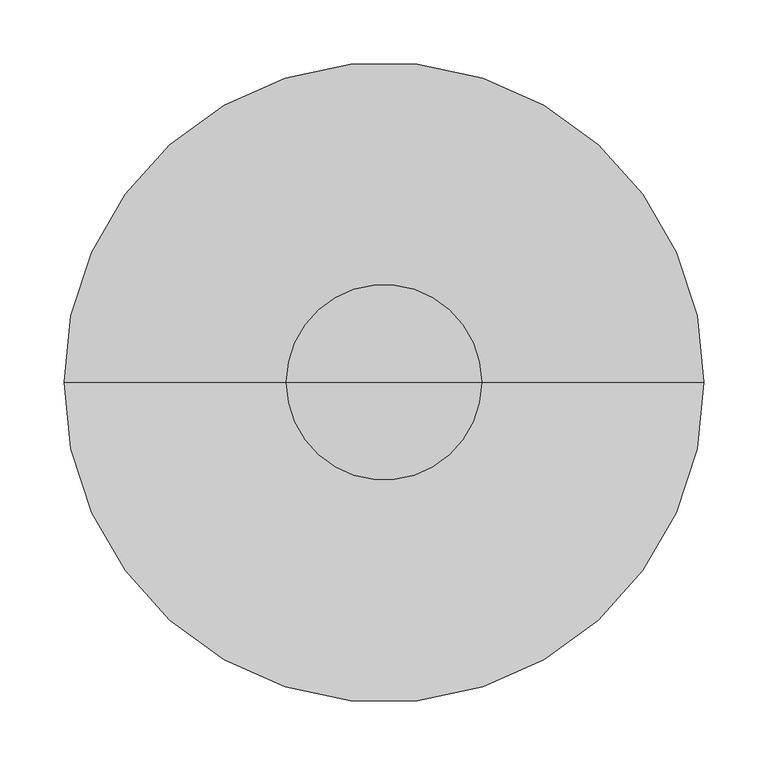
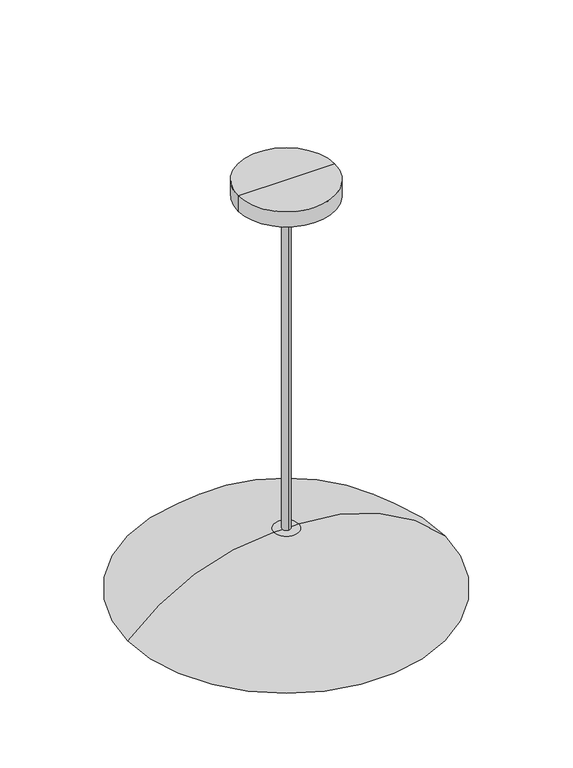
"""IFC4 building model written with IfcOpenShell, lengths in millimetres: light fixture geometry."""

from ifc_helpers import new_model, si_unit, point, frame, origin, origin_2d, place, context, project, spatial, polyline, circle_curve, ellipse_curve, trimmed, segment, composite_curve, outline, extrude, source, transform, mapped, element, save
from ifc_brep_helpers import plane_surface, cylinder_surface, revolved_surface, advanced_brep


def light_fixture_7a8487df(model_context):
    return source(origin(), model_context, "Body", "SolidModel", [
        advanced_brep(
        [(250.0, 0.0, -675.0), (-250.0, 0.0, -675.0), (-20.0, 0.0, -575.0), (20.0, 0.0, -575.0), (243.1143205, 0.0, -675.0), (-243.1143205, 0.0, -675.0), (20.0, 0.0, -580.0), (-20.0, 0.0, -580.0), (0.0, 0.0, -580.0), (0.0, 0.0, -575.0)],
        [
            (0, 1, circle_curve(frame((0.0, 0.0, -675.0), z_axis=(0.0, 0.0, 1.0), x_axis=(-1.0, 0.0, 0.0)), 250.0)),
            (1, 2, circle_curve(frame((-20.0, 0.0, -889.5), z_axis=(0.0, 1.0, 0.0), x_axis=(0.0, 0.0, 1.0)), 314.5)),
            (2, 3, circle_curve(frame((0.0, 0.0, -575.0), z_axis=(0.0, 0.0, -1.0), x_axis=(-1.0, 0.0, 0.0)), 20.0)),
            (3, 0, circle_curve(frame((20.0, 0.0, -889.5), z_axis=(0.0, 1.0, 0.0), x_axis=(0.0, 0.0, 1.0)), 314.5)),
            (1, 0, circle_curve(frame((0.0, 0.0, -675.0), z_axis=(0.0, 0.0, 1.0), x_axis=(-1.0, 0.0, 0.0)), 250.0)),
            (3, 2, circle_curve(frame((0.0, 0.0, -575.0), z_axis=(0.0, 0.0, -1.0), x_axis=(-1.0, 0.0, 0.0)), 20.0)),
            (4, 5, circle_curve(frame((0.0, 0.0, -675.0), z_axis=(0.0, 0.0, 1.0), x_axis=(-1.0, 0.0, 0.0)), 243.1143205)),
            (5, 1),
            (0, 4),
            (5, 4, circle_curve(frame((0.0, 0.0, -675.0), z_axis=(0.0, 0.0, 1.0), x_axis=(-1.0, 0.0, 0.0)), 243.1143205)),
            (6, 7, circle_curve(frame((0.0, 0.0, -580.0), z_axis=(0.0, 0.0, 1.0), x_axis=(-1.0, 0.0, 0.0)), 20.0)),
            (7, 5, circle_curve(frame((-20.0, 0.0, -889.5), z_axis=(0.0, -1.0, 0.0), x_axis=(0.0, 0.0, 1.0)), 309.5)),
            (4, 6, circle_curve(frame((20.0, 0.0, -889.5), z_axis=(0.0, -1.0, 0.0), x_axis=(0.0, 0.0, 1.0)), 309.5)),
            (7, 6, circle_curve(frame((0.0, 0.0, -580.0), z_axis=(0.0, 0.0, 1.0), x_axis=(-1.0, 0.0, 0.0)), 20.0)),
            (8, 7),
            (6, 8),
            (2, 9),
            (9, 3),
        ],
        [
            revolved_surface(trimmed(ellipse_curve(frame((-20.0, 0.0, -889.5), z_axis=(0.0, -1.0, 0.0), x_axis=(0.0, 0.0, 1.0)), 314.5, 314.5), [point((-20.0, 0.0, -575.0))], [point((-250.0, 0.0, -675.0))], True, "CARTESIAN"), (0.0, 0.0, 1702.6263109), (0.0, 0.0, -1.0)),
            plane_surface(frame((0.0, 0.0, -675.0), z_axis=(0.0, 0.0, -1.0), x_axis=(-1.0, 0.0, 0.0))),
            revolved_surface(trimmed(ellipse_curve(frame((-20.0, 0.0, -889.5), z_axis=(0.0, 1.0, 0.0), x_axis=(0.0, 0.0, 1.0)), 309.5, 309.5), [point((-243.1143205, 0.0, -675.0))], [point((-20.0, 0.0, -580.0))], True, "CARTESIAN"), (0.0, 0.0, 1702.6263109), (0.0, 0.0, -1.0)),
            plane_surface(frame((0.0, 0.0, -580.0), z_axis=(0.0, 0.0, -1.0), x_axis=(-1.0, 0.0, 0.0))),
            plane_surface(frame((0.0, 0.0, -575.0), z_axis=(0.0, 0.0, 1.0), x_axis=(-1.0, 0.0, 0.0))),
        ],
        [
            (0, [[1, 2, 3, 4]]),
            (0, [[5, -4, 6, -2]]),
            (1, [[7, 8, -1, 9]]),
            (1, [[10, -9, -5, -8]]),
            (2, [[11, 12, -7, 13]]),
            (2, [[14, -13, -10, -12]]),
            (3, [[15, -11, 16]]),
            (3, [[-16, -14, -15]]),
            (4, [[-3, 17, 18]]),
            (4, [[-6, -18, -17]]),
        ],
    ),
        extrude(outline(composite_curve([segment(trimmed(circle_curve(origin_2d(), 6.35), [point((0.0, 6.35))], [point((0.0, -6.35))], False, "CARTESIAN"), True, "CONTINUOUS"), segment(trimmed(circle_curve(origin_2d(), 6.35), [point((0.0, -6.35))], [point((0.0, 6.35))], False, "CARTESIAN"), True, "CONTINUOUS")], self_intersect=False)), frame((0.0, 0.0, -575.0), z_axis=(0.0, 0.0, 1.0), x_axis=(1.0, 0.0, 0.0)), (0.0, 0.0, 1.0), 554.6),
        advanced_brep(
        [(76.2, 0.0, -20.4), (-76.2, 0.0, -20.4), (-76.2, 0.0, 5.0), (76.2, 0.0, 5.0), (0.0, 0.0, -55.9326436), (0.0, 0.0, 5.0)],
        [
            (0, 1, circle_curve(frame((0.0, 0.0, -20.4), z_axis=(0.0, 0.0, 1.0), x_axis=(-1.0, 0.0, 0.0)), 76.2)),
            (1, 2),
            (2, 3, circle_curve(frame((0.0, 0.0, 5.0), z_axis=(0.0, 0.0, -1.0), x_axis=(-1.0, 0.0, 0.0)), 76.2)),
            (3, 0),
            (1, 0, circle_curve(frame((0.0, 0.0, -20.4), z_axis=(0.0, 0.0, 1.0), x_axis=(-1.0, 0.0, 0.0)), 76.2)),
            (3, 2, circle_curve(frame((0.0, 0.0, 5.0), z_axis=(0.0, 0.0, -1.0), x_axis=(-1.0, 0.0, 0.0)), 76.2)),
            (4, 1),
            (0, 4),
            (2, 5),
            (5, 3),
        ],
        [
            cylinder_surface(frame((0.0, 0.0, 81.2), z_axis=(0.0, 0.0, -1.0), x_axis=(-1.0, 0.0, 0.0)), 76.2),
            revolved_surface(polyline([(-76.2, 0.0, -20.4), (0.0, 0.0, -55.9326436)]), (0.0, 0.0, 81.2), (0.0, 0.0, -1.0)),
            plane_surface(frame((0.0, 0.0, 5.0), z_axis=(0.0, 0.0, 1.0), x_axis=(-1.0, 0.0, 0.0))),
        ],
        [
            (0, [[1, 2, 3, 4]]),
            (0, [[5, -4, 6, -2]]),
            (1, [[7, -1, 8]]),
            (1, [[-8, -5, -7]]),
            (2, [[-3, 9, 10]]),
            (2, [[-6, -10, -9]]),
        ],
    ),
    ])


if __name__ == "__main__":
    model = new_model("IFC4")
    model_context = context("Model", 3, world=origin())
    ifc_project = project(units=[si_unit("LENGTHUNIT", "METRE", prefix="MILLI")], contexts=[model_context])
    site = spatial("IfcSite", under=ifc_project)
    building = spatial("IfcBuilding", under=site)
    placement = place(None, origin())
    light_fixture_shape = light_fixture_7a8487df(model_context)
    element("IfcLightFixture", 1, at=placement, inside=building, context=model_context, shape_type="MappedRepresentation", body=[
        mapped(light_fixture_shape, transform((0.0, 0.0, 0.0), x_axis=(1.0, 0.0, 0.0), y_axis=(0.0, 1.0, 0.0), z_axis=(0.0, 0.0, 1.0))),
    ])
    save(model, "model.ifc")
